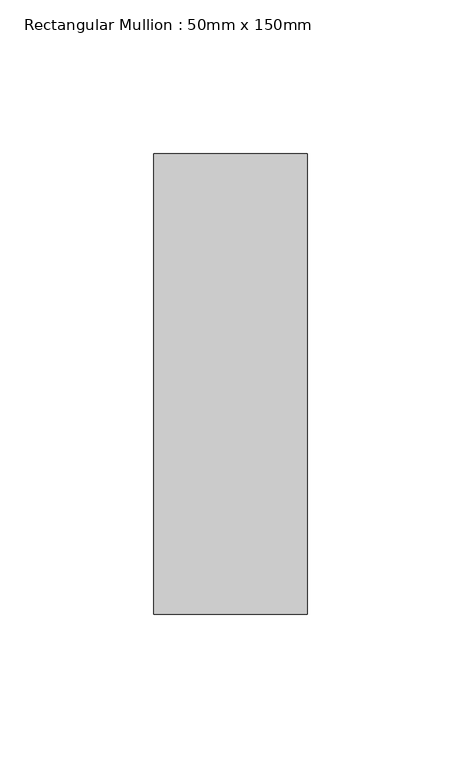
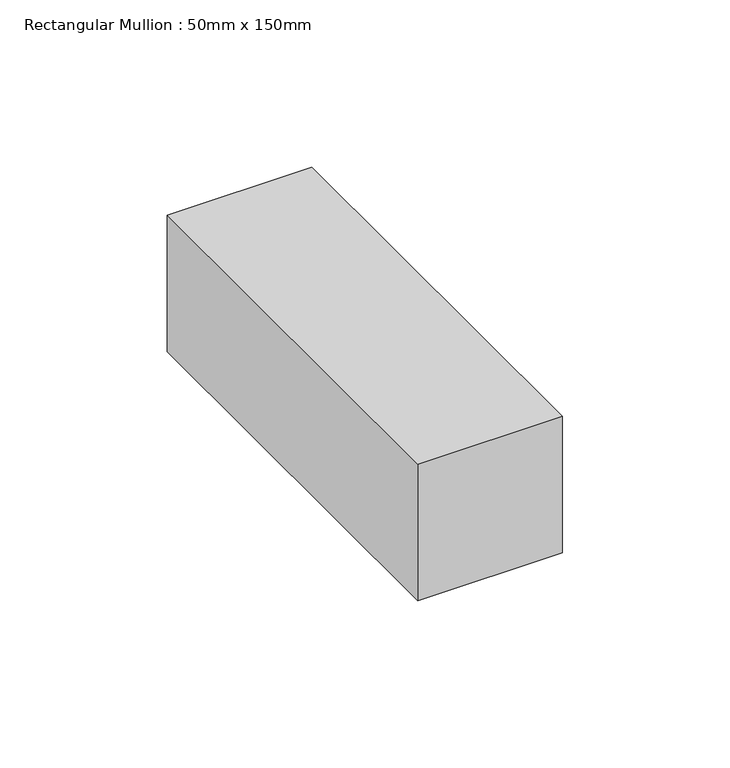
"""IFC4 building model written with IfcOpenShell, lengths in millimetres: member geometry, Rectangular Mullion : 50mm x 150mm."""

from ifc_helpers import new_model, si_unit, frame, origin, place, context, project, spatial, polyline, outline, extrude, source, transform, mapped, element, save


def rectangular_mullion_50mm_x_150mm_188a2113(model_context):
    return source(origin(), model_context, "Body", "SweptSolid", [
        extrude(outline(polyline([(0.0, 75.0), (0.0, -75.0), (-50.0, -75.0), (-50.0, 75.0), (0.0, 75.0)])), frame((0.0, 0.0, -50.0), z_axis=(0.0, 0.0, 1.0), x_axis=(1.0, 0.0, 0.0)), (0.0, 0.0, 1.0), 50.0),
    ])


if __name__ == "__main__":
    model = new_model("IFC4")
    model_context = context("Model", 3, world=origin())
    ifc_project = project(units=[si_unit("LENGTHUNIT", "METRE", prefix="MILLI")], contexts=[model_context])
    site = spatial("IfcSite", under=ifc_project)
    building = spatial("IfcBuilding", under=site)
    placement = place(None, origin())
    rectangular_mullion_50mm_x_150mm_shape = rectangular_mullion_50mm_x_150mm_188a2113(model_context)
    element("IfcMember", 1, ObjectType="Rectangular Mullion : 50mm x 150mm", at=placement, inside=building, context=model_context, shape_type="MappedRepresentation", body=[
        mapped(rectangular_mullion_50mm_x_150mm_shape, transform((0.0, 0.0, 0.0), x_axis=(1.0, 0.0, 0.0), y_axis=(0.0, 1.0, 0.0), z_axis=(0.0, 0.0, 1.0))),
    ])
    save(model, "model.ifc")
